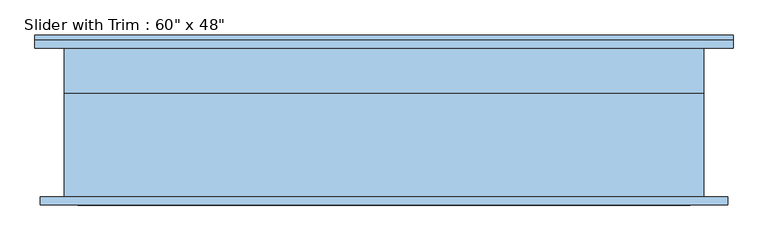
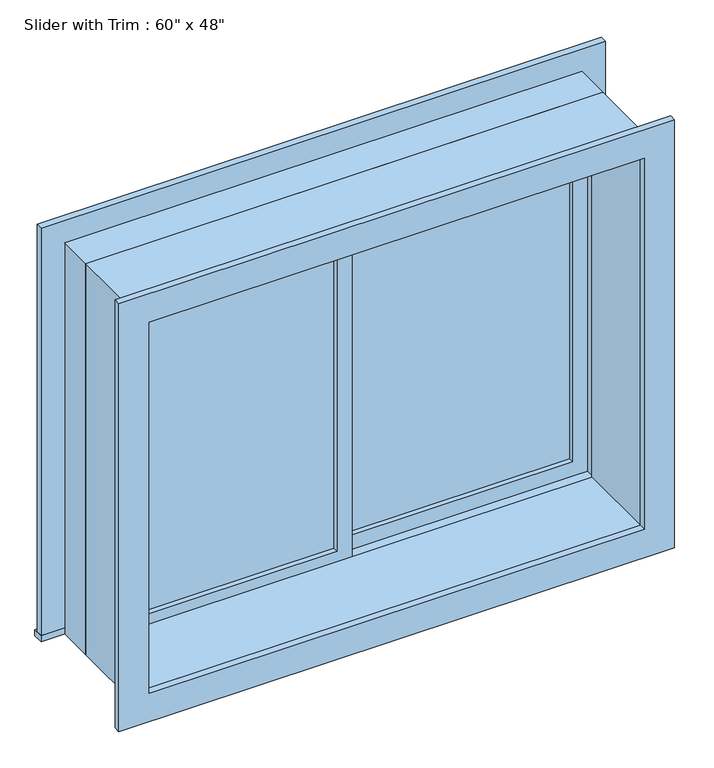
"""IFC4 building model written with IfcOpenShell, lengths in millimetres: window geometry."""

import ifcopenshell
import ifcopenshell.guid

model = None  # the IFC model being written
_history = None  # IfcOwnerHistory: only IFC2X3 demands one
_inside = {}  # id of a spatial element -> (the spatial element, [elements in it])
_under = {}  # id of a project, library or spatial element -> (it, [spatial elements below it])
_declared = {}  # id of a project -> (the project, [libraries it declares])
_typed = {}  # id of a type object -> (the type object, [elements of that type])
_made_of = {}  # id of a material, layer set ... -> (it, [elements and type objects made of it])


def new_model(schema):
    """Start an empty IFC model of exactly this schema.

    Asked for "IFC4X3", IfcOpenShell would pick the latest addendum, in which some entities
    have other attributes; the version numbers below select the first issue.
    IFC2X3 requires an IfcOwnerHistory on every rooted entity: one is made here for all.
    """
    global model, _history
    if schema == "IFC4X3":
        model = ifcopenshell.file(schema_version=(4, 3, 0, 0))
    else:
        model = ifcopenshell.file(schema=schema)
    _inside.clear()
    _under.clear()
    _declared.clear()
    _typed.clear()
    _made_of.clear()
    _history = None
    if model.schema == "IFC2X3":
        org = make("IfcOrganization", Name="unknown")
        user = make(
            "IfcPersonAndOrganization",
            ThePerson=make("IfcPerson", FamilyName="unknown"),
            TheOrganization=org,
        )
        app = make(
            "IfcApplication",
            ApplicationDeveloper=org,
            Version="unknown",
            ApplicationFullName="unknown",
            ApplicationIdentifier="unknown",
        )
        _history = make(
            "IfcOwnerHistory",
            OwningUser=user,
            OwningApplication=app,
            ChangeAction="ADDED",
            CreationDate=0,
        )
    return model


def make(cls, **values):
    """One entity of the class cls with the attributes given. An attribute that is None is left unset."""
    return model.create_entity(
        cls, **{name: value for name, value in values.items() if value is not None}
    )


def rooted(cls, **values):
    """An entity with a GlobalId (a new one), such as an element, a storey or a relation."""
    return make(cls, GlobalId=ifcopenshell.guid.new(), OwnerHistory=_history, **values)


def si_unit(unit_type, name, prefix=None):
    """IfcSIUnit, for example si_unit("LENGTHUNIT", "METRE", prefix="MILLI")."""
    return make("IfcSIUnit", UnitType=unit_type, Prefix=prefix, Name=name)


def assignment(units):
    """IfcUnitAssignment: the units of a project."""
    return None if units is None else make("IfcUnitAssignment", Units=units)


def point(xyz):
    """IfcCartesianPoint."""
    return None if xyz is None else make("IfcCartesianPoint", Coordinates=xyz)


def direction(xyz):
    """IfcDirection."""
    return None if xyz is None else make("IfcDirection", DirectionRatios=xyz)


def frame(location, z_axis=None, x_axis=None):
    """IfcAxis2Placement3D, a coordinate frame: its origin and axes. An axis left out is left unset."""
    return make(
        "IfcAxis2Placement3D",
        Location=point(location),
        Axis=direction(z_axis),
        RefDirection=direction(x_axis),
    )


def origin():
    """The frame at (0, 0, 0) with its axes left unset."""
    return frame((0.0, 0.0, 0.0))


def place(relative_to, where):
    """IfcLocalPlacement: puts the frame where relative to a parent placement (None: the world)."""
    return make(
        "IfcLocalPlacement", PlacementRelTo=relative_to, RelativePlacement=where
    )


def context(
    kind, dimensions, precision=None, world=None, true_north=None, identifier=None
):
    """IfcGeometricRepresentationContext, for example the 3D "Model" context."""
    return make(
        "IfcGeometricRepresentationContext",
        ContextIdentifier=identifier,
        ContextType=kind,
        CoordinateSpaceDimension=dimensions,
        Precision=precision,
        WorldCoordinateSystem=world,
        TrueNorth=true_north,
    )


def project(units=None, contexts=None):
    """IfcProject with its units and contexts."""
    return rooted(
        "IfcProject",
        Name="project",
        RepresentationContexts=contexts,
        UnitsInContext=assignment(units),
    )


def spatial(cls, under=None, at=None, **own):
    """A site, building, storey or space (cls), placed at a placement, below another one or the project."""
    s = rooted(cls, ObjectPlacement=at, **own)
    if under is not None:
        _under.setdefault(under.id(), (under, []))[1].append(s)
    return s


def polyline(points):
    """IfcPolyline through the points."""
    return make("IfcPolyline", Points=[point(p) for p in points])


def outline(outer, holes=None, kind="AREA"):
    """IfcArbitraryClosedProfileDef: a profile drawn as a closed curve; with holes, ...WithVoids."""
    if holes is None:
        return make("IfcArbitraryClosedProfileDef", ProfileType=kind, OuterCurve=outer)
    return make(
        "IfcArbitraryProfileDefWithVoids",
        ProfileType=kind,
        OuterCurve=outer,
        InnerCurves=holes,
    )


def extrude(swept, where, along, depth):
    """IfcExtrudedAreaSolid: the profile swept, set in the frame where, extruded along a direction by depth."""
    return make(
        "IfcExtrudedAreaSolid",
        SweptArea=swept,
        Position=where,
        ExtrudedDirection=direction(along),
        Depth=depth,
    )


def shape(context_of_items, identifier, shape_type, items):
    """IfcShapeRepresentation: the items that make up one representation, for example the "Body"."""
    return make(
        "IfcShapeRepresentation",
        ContextOfItems=context_of_items,
        RepresentationIdentifier=identifier,
        RepresentationType=shape_type,
        Items=items,
    )


def source(mapping_origin, context_of_items, identifier, shape_type, items):
    """IfcRepresentationMap: a shape defined once, which mapped items show again and again."""
    return make(
        "IfcRepresentationMap",
        MappingOrigin=mapping_origin,
        MappedRepresentation=shape(context_of_items, identifier, shape_type, items),
    )


def transform(
    local_origin,
    x_axis=None,
    y_axis=None,
    z_axis=None,
    scale=None,
    scale2=None,
    scale3=None,
    uniform=True,
):
    """IfcCartesianTransformationOperator3D, or its non-uniform kind. x_axis, y_axis, z_axis: its Axis1, 2, 3."""
    if uniform:
        return make(
            "IfcCartesianTransformationOperator3D",
            Axis1=direction(x_axis),
            Axis2=direction(y_axis),
            LocalOrigin=point(local_origin),
            Scale=scale,
            Axis3=direction(z_axis),
        )
    return make(
        "IfcCartesianTransformationOperator3DnonUniform",
        Axis1=direction(x_axis),
        Axis2=direction(y_axis),
        LocalOrigin=point(local_origin),
        Scale=scale,
        Axis3=direction(z_axis),
        Scale2=scale2,
        Scale3=scale3,
    )


def mapped(mapping_source, mapping_target):
    """IfcMappedItem: shows the shape of a source again, moved by a transform."""
    return make(
        "IfcMappedItem", MappingSource=mapping_source, MappingTarget=mapping_target
    )


def made_of(thing, what):
    """Note that an element or type object is made of a material, layer set ...; save() writes the relation."""
    if what is not None:
        _made_of.setdefault(what.id(), (what, []))[1].append(thing)
    return thing


def element(
    cls,
    number,
    at=None,
    inside=None,
    cuts=None,
    type_object=None,
    material=None,
    context=None,
    identifier="Body",
    shape_type=None,
    held_by="IfcProductDefinitionShape",
    body=None,
    shapes=None,
    **own,
):
    """One element of the class cls, such as IfcWall. Its Tag is "e" and its number.

    at: its placement. inside: the storey or other place that contains it. cuts: it is an
    opening in that element (IfcRelVoidsElement). A single representation is given by context,
    identifier, shape_type and body (its items); several are given by shapes. held_by: the class
    of the entity that holds the representations. save() writes the other relations.
    """
    e = rooted(cls, Tag="e%d" % number, ObjectPlacement=at, **own)
    if body is not None:
        shapes = [shape(context, identifier, shape_type, body)]
    if shapes is not None:
        e.Representation = make(held_by, Representations=shapes)
    if inside is not None:
        _inside.setdefault(inside.id(), (inside, []))[1].append(e)
    if cuts is not None:
        rooted(
            "IfcRelVoidsElement", RelatingBuildingElement=cuts, RelatedOpeningElement=e
        )
    if type_object is not None:
        _typed.setdefault(type_object.id(), (type_object, []))[1].append(e)
    return made_of(e, material)


def aggregate(whole, parts):
    """IfcRelAggregates: a whole, such as a stair, and the parts it consists of."""
    return rooted("IfcRelAggregates", RelatingObject=whole, RelatedObjects=parts)


def save(model, path):
    """Write the relations noted so far, then the file.

    IfcRelAggregates (storeys below a building ...), IfcRelContainedInSpatialStructure (elements
    in a storey), IfcRelDefinesByType, IfcRelAssociatesMaterial and IfcRelDeclares: one each for
    every whole, place, type object, material and project.
    """
    for whole, parts in _under.values():
        aggregate(whole, parts)
    for where, things in _inside.values():
        rooted(
            "IfcRelContainedInSpatialStructure",
            RelatedElements=things,
            RelatingStructure=where,
        )
    for kind, things in _typed.values():
        rooted("IfcRelDefinesByType", RelatedObjects=things, RelatingType=kind)
    for what, things in _made_of.values():
        rooted("IfcRelAssociatesMaterial", RelatedObjects=things, RelatingMaterial=what)
    for by, libraries in _declared.values():
        rooted("IfcRelDeclares", RelatingContext=by, RelatedDefinitions=libraries)
    model.write(path)


def window_33dc0a0c(model_context):
    return source(origin(), model_context, "Body", "SweptSolid", [
        extrude(outline(polyline([(-698.5, 98.425), (-22.225, 98.425), (-22.225, 85.725), (-698.5, 85.725), (-698.5, 98.425)])), frame((0.0, 0.0, 977.9), z_axis=(0.0, 0.0, 1.0), x_axis=(1.0, 0.0, 0.0)), (0.0, 0.0, 1.0), 1092.2),
        extrude(outline(polyline([(2114.55, -742.95), (933.45, -742.95), (933.45, 22.225), (2114.55, 22.225), (2114.55, -742.95)]), holes=[polyline([(2070.1, -698.5), (2070.1, -22.225), (977.9, -22.225), (977.9, -698.5), (2070.1, -698.5)])]), frame((0.0, 69.85, 0.0), z_axis=(0.0, 1.0, 0.0), x_axis=(0.0, 0.0, 1.0)), (0.0, 0.0, 1.0), 44.45),
        extrude(outline(polyline([(-831.85, 209.55), (831.85, 209.55), (831.85, 177.8), (-831.85, 177.8), (-831.85, 209.55)])), frame((0.0, 0.0, 914.4), z_axis=(0.0, 0.0, 1.0), x_axis=(1.0, 0.0, 0.0)), (0.0, 0.0, 1.0), 19.05),
        extrude(outline(polyline([(2114.55, -742.95), (2114.55, 742.95), (933.45, 742.95), (933.45, 831.85), (2203.45, 831.85), (2203.45, -831.85), (933.45, -831.85), (933.45, -742.95), (2114.55, -742.95)])), frame((0.0, 177.8, 0.0), z_axis=(0.0, 1.0, 0.0), x_axis=(0.0, 0.0, 1.0)), (0.0, 0.0, 1.0), 19.05),
        extrude(outline(polyline([(2190.75, 819.15), (2190.75, -819.15), (857.25, -819.15), (857.25, 819.15), (2190.75, 819.15)]), holes=[polyline([(2101.85, 730.25), (946.15, 730.25), (946.15, -730.25), (2101.85, -730.25), (2101.85, 730.25)])]), frame((0.0, -196.85, 0.0), z_axis=(0.0, 1.0, 0.0), x_axis=(0.0, 0.0, 1.0)), (0.0, 0.0, 1.0), 19.05),
        extrude(outline(polyline([(698.5, 130.175), (22.225, 130.175), (22.225, 142.875), (698.5, 142.875), (698.5, 130.175)])), frame((0.0, 0.0, 977.9), z_axis=(0.0, 0.0, 1.0), x_axis=(1.0, 0.0, 0.0)), (0.0, 0.0, 1.0), 1092.2),
        extrude(outline(polyline([(2114.55, -22.225), (933.45, -22.225), (933.45, 742.95), (2114.55, 742.95), (2114.55, -22.225)]), holes=[polyline([(2070.1, 22.225), (2070.1, 698.5), (977.9, 698.5), (977.9, 22.225), (2070.1, 22.225)])]), frame((0.0, 114.3, 0.0), z_axis=(0.0, 1.0, 0.0), x_axis=(0.0, 0.0, 1.0)), (0.0, 0.0, 1.0), 44.45),
        extrude(outline(polyline([(2133.6, -762.0), (914.4, -762.0), (914.4, 762.0), (2133.6, 762.0), (2133.6, -762.0)]), holes=[polyline([(2101.85, -730.25), (2101.85, 730.25), (946.15, 730.25), (946.15, -730.25), (2101.85, -730.25)])]), frame((0.0, -177.8, 0.0), z_axis=(0.0, 1.0, 0.0), x_axis=(0.0, 0.0, 1.0)), (0.0, 0.0, 1.0), 247.65),
        extrude(outline(polyline([(2133.6, 762.0), (2133.6, -762.0), (914.4, -762.0), (914.4, 762.0), (2133.6, 762.0)]), holes=[polyline([(2114.55, 742.95), (933.45, 742.95), (933.45, -742.95), (2114.55, -742.95), (2114.55, 742.95)])]), frame((0.0, 69.85, 0.0), z_axis=(0.0, 1.0, 0.0), x_axis=(0.0, 0.0, 1.0)), (0.0, 0.0, 1.0), 107.95),
    ])


if __name__ == "__main__":
    model = new_model("IFC4")
    model_context = context("Model", 3, world=origin())
    ifc_project = project(units=[si_unit("LENGTHUNIT", "METRE", prefix="MILLI")], contexts=[model_context])
    site = spatial("IfcSite", under=ifc_project)
    building = spatial("IfcBuilding", under=site)
    placement = place(None, origin())
    window_shape = window_33dc0a0c(model_context)
    element("IfcWindow", 1, ObjectType="Slider with Trim : 60\" x 48\"", at=placement, inside=building, context=model_context, shape_type="MappedRepresentation", body=[
        mapped(window_shape, transform((0.0, 0.0, 0.0), x_axis=(1.0, 0.0, 0.0), y_axis=(0.0, 1.0, 0.0), z_axis=(0.0, 0.0, 1.0))),
    ])
    save(model, "model.ifc")
